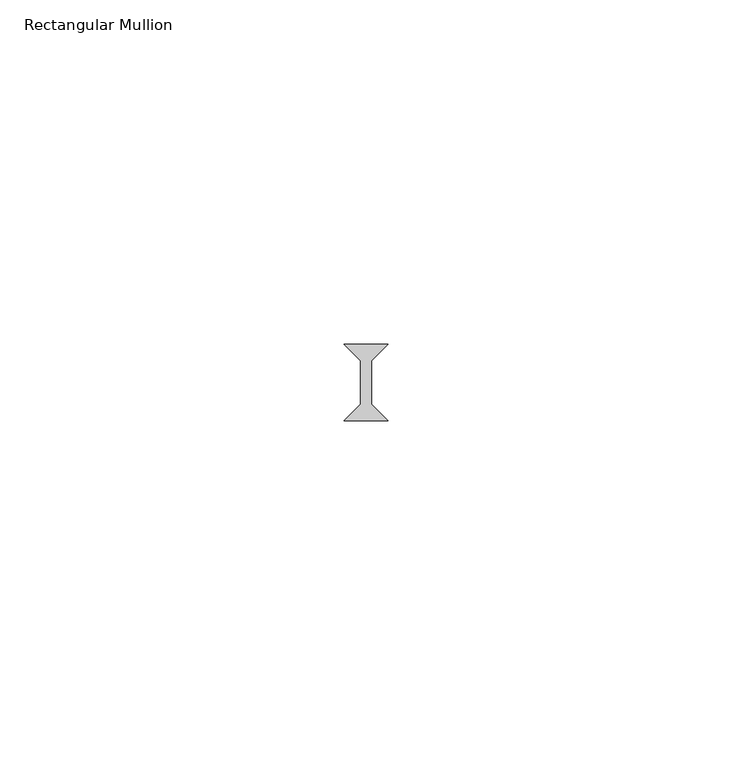
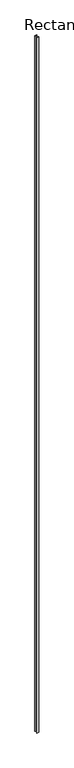
"""IFC4 building model written with IfcOpenShell, lengths in millimetres: member geometry, Rectangular Mullion."""

from ifc_helpers import new_model, si_unit, frame, origin, place, context, project, spatial, polyline, outline, extrude, source, transform, mapped, element, save


def rectangular_mullion_0e100db7(model_context):
    return source(origin(), model_context, "Body", "SweptSolid", [
        extrude(outline(polyline([(3.175, -5.55625), (-3.175, -5.55625), (-0.79375, -3.175), (-0.79375, 3.175), (-3.175, 5.55625), (3.175, 5.55625), (0.79375, 3.175), (0.79375, -3.175), (3.175, -5.55625)])), frame((0.0, 0.0, -2359.025), z_axis=(0.0, 0.0, 1.0), x_axis=(1.0, 0.0, 0.0)), (0.0, 0.0, 1.0), 2359.025),
    ])


if __name__ == "__main__":
    model = new_model("IFC4")
    model_context = context("Model", 3, world=origin())
    ifc_project = project(units=[si_unit("LENGTHUNIT", "METRE", prefix="MILLI")], contexts=[model_context])
    site = spatial("IfcSite", under=ifc_project)
    building = spatial("IfcBuilding", under=site)
    placement = place(None, origin())
    rectangular_mullion_shape = rectangular_mullion_0e100db7(model_context)
    element("IfcMember", 1, ObjectType="Rectangular Mullion", at=placement, inside=building, context=model_context, shape_type="MappedRepresentation", body=[
        mapped(rectangular_mullion_shape, transform((0.0, 0.0, 0.0), x_axis=(1.0, 0.0, 0.0), y_axis=(0.0, 1.0, 0.0), z_axis=(0.0, 0.0, 1.0))),
    ])
    save(model, "model.ifc")
